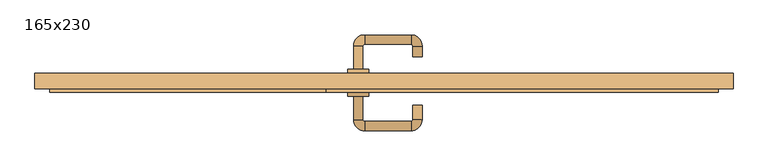
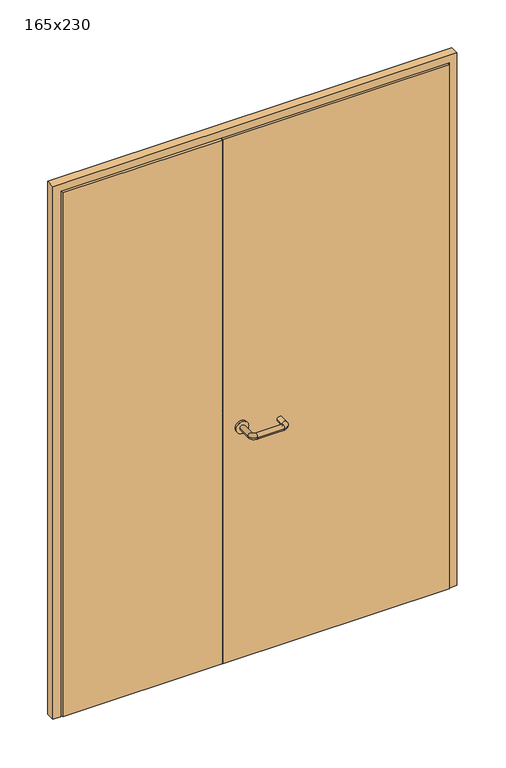
"""IFC4 building model written with IfcOpenShell, lengths in millimetres: door geometry, 165x230."""

from ifc_helpers import new_model, si_unit, point, frame, frame_2d, origin, place, context, project, spatial, polyline, circle_curve, ellipse_curve, trimmed, segment, composite_curve, outline, extrude, source, transform, mapped, element, save
from ifc_brep_helpers import plane_surface, cylinder_surface, revolved_surface, advanced_brep


def door_165x230_325c43d6(model_context):
    return source(origin(), model_context, "Body", "SolidModel", [
        extrude(outline(polyline([(2300.0, -825.0), (0.0, -825.0), (0.0, -793.0), (2268.0, -793.0), (2268.0, 793.0), (0.0, 793.0), (0.0, 825.0), (2300.0, 825.0), (2300.0, -825.0)])), frame((0.0, -6.4654067, 0.0), z_axis=(0.0, 1.0, 0.0), x_axis=(0.0, 0.0, 1.0)), (0.0, 0.0, 1.0), 36.4654067),
        advanced_brep(
        [(-72.0, -24.1125817, 1003.0), (-50.0, -24.1125817, 1003.0), (-50.0, -78.9968061, 1003.0), (-72.0, -78.9968061, 1003.0), (-46.0, -104.9968061, 1003.0), (-46.0, -82.9968061, 1003.0), (64.0, -82.9968061, 1003.0), (64.0, -104.9968061, 1003.0), (90.0, -78.9968061, 1003.0), (68.0, -78.9968061, 1003.0), (68.0, -45.0, 1003.0), (90.0, -45.0, 1003.0)],
        [
            (0, 1, circle_curve(frame((-61.0, -24.1125817, 1003.0), z_axis=(0.0, 1.0, 0.0), x_axis=(1.0, 0.0, 0.0)), 11.0)),
            (1, 0, circle_curve(frame((-61.0, -24.1125817, 1003.0), z_axis=(0.0, 1.0, 0.0), x_axis=(1.0, 0.0, 0.0)), 11.0)),
            (1, 2),
            (2, 3, circle_curve(frame((-61.0, -78.9968061, 1003.0), z_axis=(0.0, 1.0, 0.0), x_axis=(1.0, 0.0, 0.0)), 11.0)),
            (3, 0),
            (4, 3, circle_curve(frame((-46.0, -78.9968061, 1003.0), z_axis=(0.0, 0.0, -1.0), x_axis=(-1.0, 0.0, 0.0)), 26.0)),
            (2, 5, circle_curve(frame((-46.0, -78.9968061, 1003.0), z_axis=(0.0, 0.0, 1.0), x_axis=(-1.0, 0.0, 0.0)), 4.0)),
            (5, 4, circle_curve(frame((-46.0, -93.9968061, 1003.0), z_axis=(-1.0, 0.0, 0.0), x_axis=(0.0, 1.0, 0.0)), 11.0)),
            (5, 6),
            (6, 7, circle_curve(frame((64.0, -93.9968061, 1003.0), z_axis=(-1.0, 0.0, 0.0), x_axis=(0.0, 1.0, 0.0)), 11.0)),
            (7, 4),
            (8, 7, circle_curve(frame((64.0, -78.9968061, 1003.0), z_axis=(0.0, 0.0, -1.0), x_axis=(0.0, -1.0, 0.0)), 26.0)),
            (6, 9, circle_curve(frame((64.0, -78.9968061, 1003.0), z_axis=(0.0, 0.0, 1.0), x_axis=(0.0, -1.0, 0.0)), 4.0)),
            (9, 8, circle_curve(frame((79.0, -78.9968061, 1003.0), z_axis=(0.0, -1.0, 0.0), x_axis=(-1.0, 0.0, 0.0)), 11.0)),
            (9, 10),
            (10, 11, circle_curve(frame((79.0, -45.0, 1003.0), z_axis=(0.0, -1.0, 0.0), x_axis=(-1.0, 0.0, 0.0)), 11.0)),
            (11, 8),
            (10, 11, circle_curve(frame((79.0, -45.0, 1003.0), z_axis=(0.0, 1.0, 0.0), x_axis=(-1.0, 0.0, 0.0)), 11.0)),
            (3, 2, circle_curve(frame((-61.0, -78.9968061, 1003.0), z_axis=(0.0, 1.0, 0.0), x_axis=(1.0, 0.0, 0.0)), 11.0)),
            (4, 5, circle_curve(frame((-46.0, -93.9968061, 1003.0), z_axis=(-1.0, 0.0, 0.0), x_axis=(0.0, 1.0, 0.0)), 11.0)),
            (7, 6, circle_curve(frame((64.0, -93.9968061, 1003.0), z_axis=(-1.0, 0.0, 0.0), x_axis=(0.0, 1.0, 0.0)), 11.0)),
            (8, 9, circle_curve(frame((79.0, -78.9968061, 1003.0), z_axis=(0.0, -1.0, 0.0), x_axis=(-1.0, 0.0, 0.0)), 11.0)),
        ],
        [
            plane_surface(frame((-72.0, -24.1125817, 1003.0), z_axis=(0.0, 1.0, 0.0), x_axis=(0.0, 0.0, -1.0))),
            cylinder_surface(frame((-61.0, -24.1125817, 1003.0), z_axis=(0.0, 1.0, 0.0), x_axis=(1.0, 0.0, 0.0)), 11.0),
            revolved_surface(trimmed(ellipse_curve(frame((-61.0, -78.9968061, 1003.0), z_axis=(0.0, 1.0, 0.0), x_axis=(1.0, 0.0, 0.0)), 11.0, 11.0), [point((-50.0, -78.9968061, 1003.0))], [point((-72.0, -78.9968061, 1003.0))], True, "CARTESIAN"), (-46.0, -78.9968061, 1003.0), (0.0, 0.0, 1.0)),
            cylinder_surface(frame((-46.0, -93.9968061, 1003.0), z_axis=(-1.0, 0.0, 0.0), x_axis=(0.0, 1.0, 0.0)), 11.0),
            revolved_surface(trimmed(ellipse_curve(frame((64.0, -93.9968061, 1003.0), z_axis=(-1.0, 0.0, 0.0), x_axis=(0.0, 1.0, 0.0)), 11.0, 11.0), [point((64.0, -82.9968061, 1003.0))], [point((64.0, -104.9968061, 1003.0))], True, "CARTESIAN"), (64.0, -78.9968061, 1003.0), (0.0, 0.0, 1.0)),
            cylinder_surface(frame((79.0, -78.9968061, 1003.0), z_axis=(0.0, -1.0, 0.0), x_axis=(-1.0, 0.0, 0.0)), 11.0),
            plane_surface(frame((68.0, -45.0, 1003.0), z_axis=(0.0, 1.0, 0.0), x_axis=(0.0, 0.0, 1.0))),
            revolved_surface(trimmed(ellipse_curve(frame((-61.0, -78.9968061, 1003.0), z_axis=(0.0, 1.0, 0.0), x_axis=(1.0, 0.0, 0.0)), 11.0, 11.0), [point((-72.0, -78.9968061, 1003.0))], [point((-50.0, -78.9968061, 1003.0))], True, "CARTESIAN"), (-46.0, -78.9968061, 1003.0), (0.0, 0.0, 1.0)),
            revolved_surface(trimmed(ellipse_curve(frame((64.0, -93.9968061, 1003.0), z_axis=(-1.0, 0.0, 0.0), x_axis=(0.0, 1.0, 0.0)), 11.0, 11.0), [point((64.0, -104.9968061, 1003.0))], [point((64.0, -82.9968061, 1003.0))], True, "CARTESIAN"), (64.0, -78.9968061, 1003.0), (0.0, 0.0, 1.0)),
        ],
        [
            (0, [[1, 2]]),
            (1, [[-2, 3, 4, 5]]),
            (2, [[6, -4, 7, 8]]),
            (3, [[-8, 9, 10, 11]]),
            (4, [[12, -10, 13, 14]]),
            (5, [[-14, 15, 16, 17]]),
            (6, [[-16, 18]]),
            (1, [[-1, -5, 19, -3]]),
            (7, [[-7, -19, -6, 20]]),
            (3, [[-20, -11, 21, -9]]),
            (8, [[-13, -21, -12, 22]]),
            (5, [[-22, -17, -18, -15]]),
        ],
    ),
        extrude(outline(polyline([(-137.99898, -14.0), (-790.0, -14.0), (-790.0, 30.0), (-137.99898, 30.0), (-137.99898, -14.0)])), frame((0.0, 0.0, 3.0), z_axis=(0.0, 0.0, 1.0), x_axis=(1.0, 0.0, 0.0)), (0.0, 0.0, 1.0), 2262.0),
        extrude(outline(polyline([(790.0, -14.0), (-136.0, -14.0), (-136.0, 30.0), (790.0, 30.0), (790.0, -14.0)])), frame((0.0, 0.0, 3.0), z_axis=(0.0, 0.0, 1.0), x_axis=(1.0, 0.0, 0.0)), (0.0, 0.0, 1.0), 2262.0),
        extrude(outline(composite_curve([segment(trimmed(circle_curve(frame_2d((1003.0, -61.0)), 25.0), [point((1003.0, -86.0))], [point((1003.0, -36.0))], False, "CARTESIAN"), True, "CONTINUOUS"), segment(trimmed(circle_curve(frame_2d((1003.0, -61.0)), 25.0), [point((1003.0, -36.0))], [point((1003.0, -86.0))], False, "CARTESIAN"), True, "CONTINUOUS")], self_intersect=False)), frame((0.0, -24.1125817, 0.0), z_axis=(0.0, 1.0, 0.0), x_axis=(0.0, 0.0, 1.0)), (0.0, 0.0, 1.0), 10.1125817),
        advanced_brep(
        [(-50.0, 40.0, 1003.0), (-72.0, 40.0, 1003.0), (-72.0, 95.0, 1003.0), (-50.0, 95.0, 1003.0), (-46.0, 99.0, 1003.0), (-46.0, 121.0, 1003.0), (64.0, 121.0, 1003.0), (64.0, 99.0, 1003.0), (68.0, 95.0, 1003.0), (90.0, 95.0, 1003.0), (90.0, 70.0, 1003.0), (68.0, 70.0, 1003.0)],
        [
            (0, 1, circle_curve(frame((-61.0, 40.0, 1003.0), z_axis=(0.0, -1.0, 0.0), x_axis=(-1.0, 0.0, 0.0)), 11.0)),
            (1, 0, circle_curve(frame((-61.0, 40.0, 1003.0), z_axis=(0.0, -1.0, 0.0), x_axis=(-1.0, 0.0, 0.0)), 11.0)),
            (1, 2),
            (2, 3, circle_curve(frame((-61.0, 95.0, 1003.0), z_axis=(0.0, -1.0, 0.0), x_axis=(-1.0, 0.0, 0.0)), 11.0)),
            (3, 0),
            (4, 3, circle_curve(frame((-46.0, 95.0, 1003.0), z_axis=(0.0, 0.0, 1.0), x_axis=(-1.0, 0.0, 0.0)), 4.0)),
            (2, 5, circle_curve(frame((-46.0, 95.0, 1003.0), z_axis=(0.0, 0.0, -1.0), x_axis=(-1.0, 0.0, 0.0)), 26.0)),
            (5, 4, circle_curve(frame((-46.0, 110.0, 1003.0), z_axis=(-1.0, 0.0, 0.0), x_axis=(0.0, 1.0, 0.0)), 11.0)),
            (5, 6),
            (6, 7, circle_curve(frame((64.0, 110.0, 1003.0), z_axis=(-1.0, 0.0, 0.0), x_axis=(0.0, 1.0, 0.0)), 11.0)),
            (7, 4),
            (8, 7, circle_curve(frame((64.0, 95.0, 1003.0), z_axis=(0.0, 0.0, 1.0), x_axis=(0.0, 1.0, 0.0)), 4.0)),
            (6, 9, circle_curve(frame((64.0, 95.0, 1003.0), z_axis=(0.0, 0.0, -1.0), x_axis=(0.0, 1.0, 0.0)), 26.0)),
            (9, 8, circle_curve(frame((79.0, 95.0, 1003.0), z_axis=(0.0, 1.0, 0.0), x_axis=(1.0, 0.0, 0.0)), 11.0)),
            (9, 10),
            (10, 11, circle_curve(frame((79.0, 70.0, 1003.0), z_axis=(0.0, 1.0, 0.0), x_axis=(1.0, 0.0, 0.0)), 11.0)),
            (11, 8),
            (10, 11, circle_curve(frame((79.0, 70.0, 1003.0), z_axis=(0.0, -1.0, 0.0), x_axis=(1.0, 0.0, 0.0)), 11.0)),
            (3, 2, circle_curve(frame((-61.0, 95.0, 1003.0), z_axis=(0.0, -1.0, 0.0), x_axis=(-1.0, 0.0, 0.0)), 11.0)),
            (4, 5, circle_curve(frame((-46.0, 110.0, 1003.0), z_axis=(-1.0, 0.0, 0.0), x_axis=(0.0, 1.0, 0.0)), 11.0)),
            (7, 6, circle_curve(frame((64.0, 110.0, 1003.0), z_axis=(-1.0, 0.0, 0.0), x_axis=(0.0, 1.0, 0.0)), 11.0)),
            (8, 9, circle_curve(frame((79.0, 95.0, 1003.0), z_axis=(0.0, 1.0, 0.0), x_axis=(1.0, 0.0, 0.0)), 11.0)),
        ],
        [
            plane_surface(frame((-72.0, 40.0, 1003.0), z_axis=(0.0, -1.0, 0.0), x_axis=(0.0, 0.0, 1.0))),
            cylinder_surface(frame((-61.0, 40.0, 1003.0), z_axis=(0.0, -1.0, 0.0), x_axis=(-1.0, 0.0, 0.0)), 11.0),
            revolved_surface(trimmed(ellipse_curve(frame((-61.0, 95.0, 1003.0), z_axis=(0.0, -1.0, 0.0), x_axis=(-1.0, 0.0, 0.0)), 11.0, 11.0), [point((-72.0, 95.0, 1003.0))], [point((-50.0, 95.0, 1003.0))], True, "CARTESIAN"), (-46.0, 95.0, 1003.0), (0.0, 0.0, -1.0)),
            cylinder_surface(frame((-46.0, 110.0, 1003.0), z_axis=(-1.0, 0.0, 0.0), x_axis=(0.0, 1.0, 0.0)), 11.0),
            revolved_surface(trimmed(ellipse_curve(frame((64.0, 110.0, 1003.0), z_axis=(-1.0, 0.0, 0.0), x_axis=(0.0, 1.0, 0.0)), 11.0, 11.0), [point((64.0, 121.0, 1003.0))], [point((64.0, 99.0, 1003.0))], True, "CARTESIAN"), (64.0, 95.0, 1003.0), (0.0, 0.0, -1.0)),
            cylinder_surface(frame((79.0, 95.0, 1003.0), z_axis=(0.0, 1.0, 0.0), x_axis=(1.0, 0.0, 0.0)), 11.0),
            plane_surface(frame((68.0, 70.0, 1003.0), z_axis=(0.0, -1.0, 0.0), x_axis=(0.0, 0.0, -1.0))),
            revolved_surface(trimmed(ellipse_curve(frame((-61.0, 95.0, 1003.0), z_axis=(0.0, -1.0, 0.0), x_axis=(-1.0, 0.0, 0.0)), 11.0, 11.0), [point((-50.0, 95.0, 1003.0))], [point((-72.0, 95.0, 1003.0))], True, "CARTESIAN"), (-46.0, 95.0, 1003.0), (0.0, 0.0, -1.0)),
            revolved_surface(trimmed(ellipse_curve(frame((64.0, 110.0, 1003.0), z_axis=(-1.0, 0.0, 0.0), x_axis=(0.0, 1.0, 0.0)), 11.0, 11.0), [point((64.0, 99.0, 1003.0))], [point((64.0, 121.0, 1003.0))], True, "CARTESIAN"), (64.0, 95.0, 1003.0), (0.0, 0.0, -1.0)),
        ],
        [
            (0, [[1, 2]]),
            (1, [[-2, 3, 4, 5]]),
            (2, [[6, -4, 7, 8]]),
            (3, [[-8, 9, 10, 11]]),
            (4, [[12, -10, 13, 14]]),
            (5, [[-14, 15, 16, 17]]),
            (6, [[-16, 18]]),
            (1, [[-1, -5, 19, -3]]),
            (7, [[-7, -19, -6, 20]]),
            (3, [[-20, -11, 21, -9]]),
            (8, [[-13, -21, -12, 22]]),
            (5, [[-22, -17, -18, -15]]),
        ],
    ),
        extrude(outline(composite_curve([segment(trimmed(circle_curve(frame_2d((1003.0, -61.0)), 25.0), [point((1003.0, -36.0))], [point((1003.0, -86.0))], False, "CARTESIAN"), True, "CONTINUOUS"), segment(trimmed(circle_curve(frame_2d((1003.0, -61.0)), 25.0), [point((1003.0, -86.0))], [point((1003.0, -36.0))], False, "CARTESIAN"), True, "CONTINUOUS")], self_intersect=False)), frame((0.0, 30.0, 0.0), z_axis=(0.0, 1.0, 0.0), x_axis=(0.0, 0.0, 1.0)), (0.0, 0.0, 1.0), 10.0),
    ])


if __name__ == "__main__":
    model = new_model("IFC4")
    model_context = context("Model", 3, world=origin())
    ifc_project = project(units=[si_unit("LENGTHUNIT", "METRE", prefix="MILLI")], contexts=[model_context])
    site = spatial("IfcSite", under=ifc_project)
    building = spatial("IfcBuilding", under=site)
    placement = place(None, origin())
    door_165x230_shape = door_165x230_325c43d6(model_context)
    element("IfcDoor", 1, ObjectType="165x230", at=placement, inside=building, context=model_context, shape_type="MappedRepresentation", body=[
        mapped(door_165x230_shape, transform((0.0, 0.0, 0.0), x_axis=(1.0, 0.0, 0.0), y_axis=(0.0, 1.0, 0.0), z_axis=(0.0, 0.0, 1.0))),
    ])
    save(model, "model.ifc")
